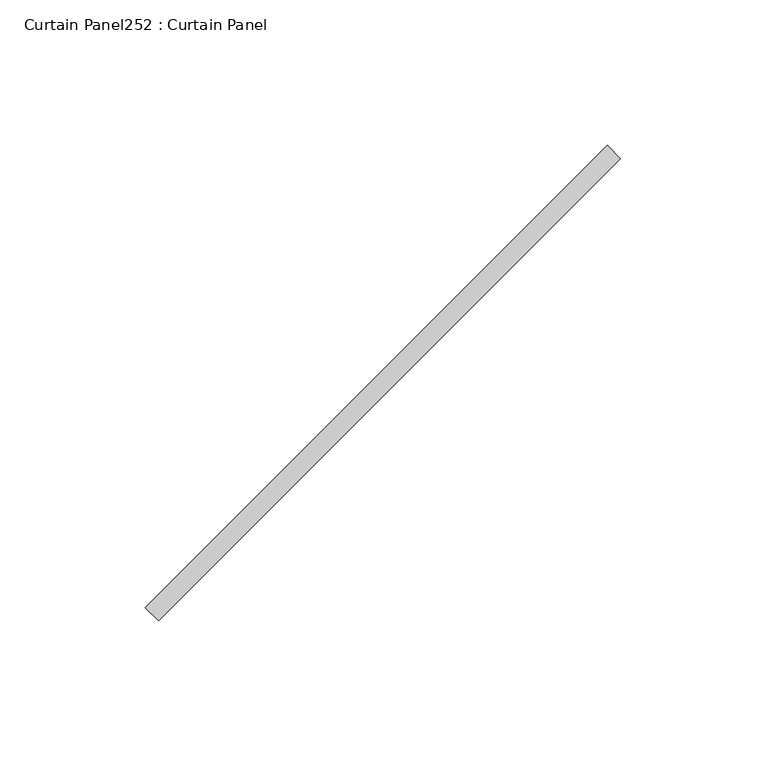
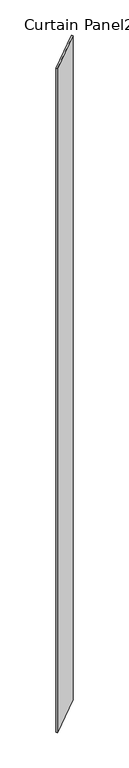
"""IFC4 building model written with IfcOpenShell, lengths in millimetres: plate geometry, Curtain Panel252 : Curtain Panel."""

from ifc_helpers import new_model, si_unit, frame, origin, place, context, project, spatial, polyline, outline, extrude, source, transform, mapped, element, save


def curtain_panel252_curtain_panel_440ca817(model_context):
    return source(origin(), model_context, "Body", "SweptSolid", [
        extrude(outline(polyline([(581170.1655449, 2634.1176323), (581011.1907106, 2475.1427981), (581006.7005825, 2479.6329261), (581165.6754168, 2638.6077604), (581170.1655449, 2634.1176323)])), frame((0.0, 0.0, 4959.7989371), z_axis=(0.0, 0.0, 1.0), x_axis=(1.0, 0.0, 0.0)), (0.0, 0.0, 1.0), 3048.0),
    ])


if __name__ == "__main__":
    model = new_model("IFC4")
    model_context = context("Model", 3, world=origin())
    ifc_project = project(units=[si_unit("LENGTHUNIT", "METRE", prefix="MILLI")], contexts=[model_context])
    site = spatial("IfcSite", under=ifc_project)
    building = spatial("IfcBuilding", under=site)
    placement = place(None, origin())
    curtain_panel252_curtain_panel_shape = curtain_panel252_curtain_panel_440ca817(model_context)
    element("IfcPlate", 1, ObjectType="Curtain Panel252 : Curtain Panel", at=placement, inside=building, context=model_context, shape_type="MappedRepresentation", body=[
        mapped(curtain_panel252_curtain_panel_shape, transform((0.0, 0.0, 0.0), x_axis=(1.0, 0.0, 0.0), y_axis=(0.0, 1.0, 0.0), z_axis=(0.0, 0.0, 1.0))),
    ])
    save(model, "model.ifc")
